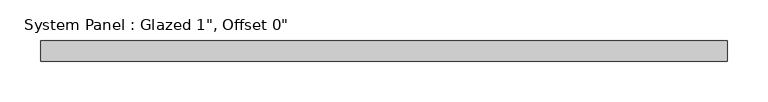
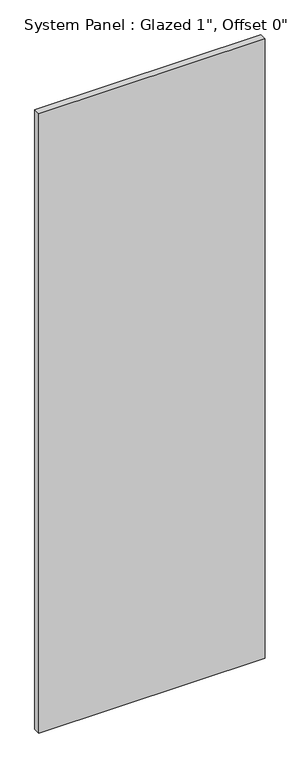
"""IFC4 building model written with IfcOpenShell, lengths in millimetres: plate geometry."""

from ifc_helpers import new_model, si_unit, origin, origin_with_axes, place, context, project, spatial, polyline, outline, extrude, source, transform, mapped, element, save


def plate_31085e5e(model_context):
    return source(origin(), model_context, "Body", "SweptSolid", [
        extrude(outline(polyline([(423.8625, -12.7), (-423.8625, -12.7), (-423.8625, 12.7), (423.8625, 12.7), (423.8625, -12.7)])), origin_with_axes(), (0.0, 0.0, 1.0), 2453.2166667),
    ])


if __name__ == "__main__":
    model = new_model("IFC4")
    model_context = context("Model", 3, world=origin())
    ifc_project = project(units=[si_unit("LENGTHUNIT", "METRE", prefix="MILLI")], contexts=[model_context])
    site = spatial("IfcSite", under=ifc_project)
    building = spatial("IfcBuilding", under=site)
    placement = place(None, origin())
    plate_shape = plate_31085e5e(model_context)
    element("IfcPlate", 1, ObjectType="System Panel : Glazed 1\", Offset 0\"", at=placement, inside=building, context=model_context, shape_type="MappedRepresentation", body=[
        mapped(plate_shape, transform((0.0, 0.0, 0.0), x_axis=(1.0, 0.0, 0.0), y_axis=(0.0, 1.0, 0.0), z_axis=(0.0, 0.0, 1.0))),
    ])
    save(model, "model.ifc")
